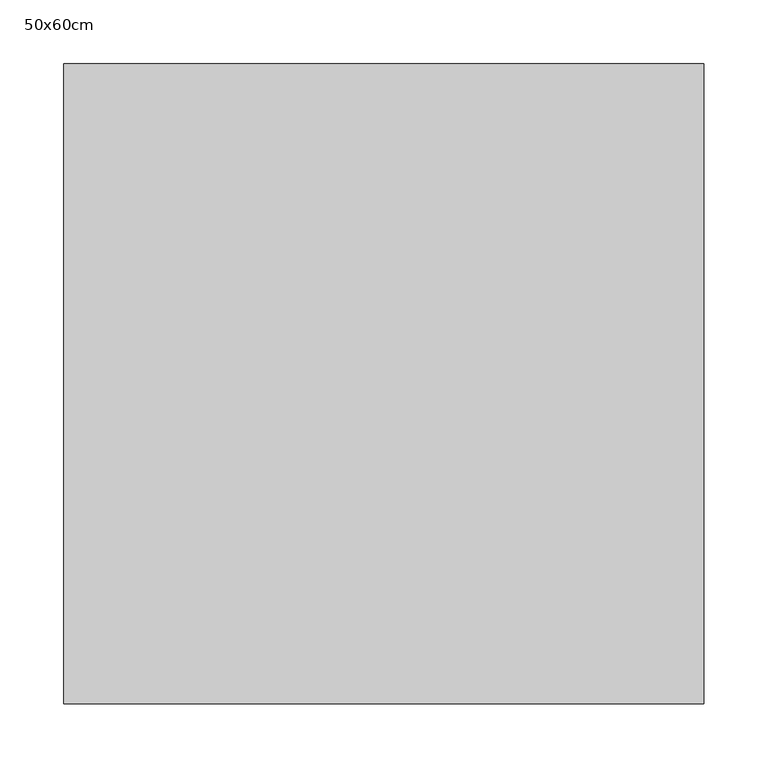
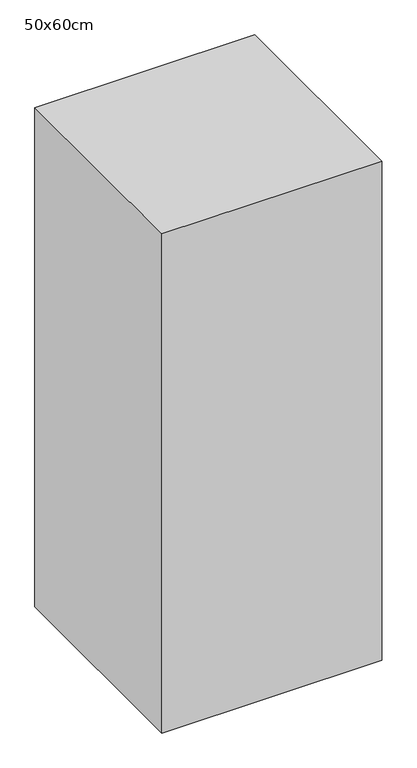
"""IFC4 building model written with IfcOpenShell, lengths in millimetres: proxy geometry, 50x60cm."""

from ifc_helpers import new_model, si_unit, frame, origin, place, context, project, spatial, polyline, outline, extrude, source, transform, mapped, element, save


def proxy_50x60cm_3ce4edcf(model_context):
    return source(origin(), model_context, "Body", "SweptSolid", [
        extrude(outline(polyline([(500.0, 500.0), (500.0, 0.0), (0.0, 0.0), (0.0, 500.0), (500.0, 500.0)])), frame((0.0, 0.0, 100.0), z_axis=(0.0, 0.0, 1.0), x_axis=(1.0, 0.0, 0.0)), (0.0, 0.0, 1.0), 1200.0),
    ])


if __name__ == "__main__":
    model = new_model("IFC4")
    model_context = context("Model", 3, world=origin())
    ifc_project = project(units=[si_unit("LENGTHUNIT", "METRE", prefix="MILLI")], contexts=[model_context])
    site = spatial("IfcSite", under=ifc_project)
    building = spatial("IfcBuilding", under=site)
    placement = place(None, origin())
    proxy_50x60cm_shape = proxy_50x60cm_3ce4edcf(model_context)
    element("IfcBuildingElementProxy", 1, Name="50x60cm", ObjectType="50x60cm", at=placement, inside=building, context=model_context, shape_type="MappedRepresentation", body=[
        mapped(proxy_50x60cm_shape, transform((0.0, 0.0, 0.0), x_axis=(1.0, 0.0, 0.0), y_axis=(0.0, 1.0, 0.0), z_axis=(0.0, 0.0, 1.0))),
    ])
    save(model, "model.ifc")
